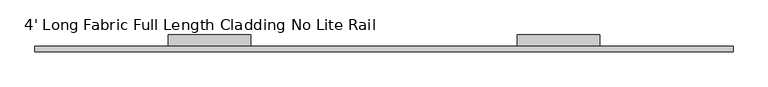
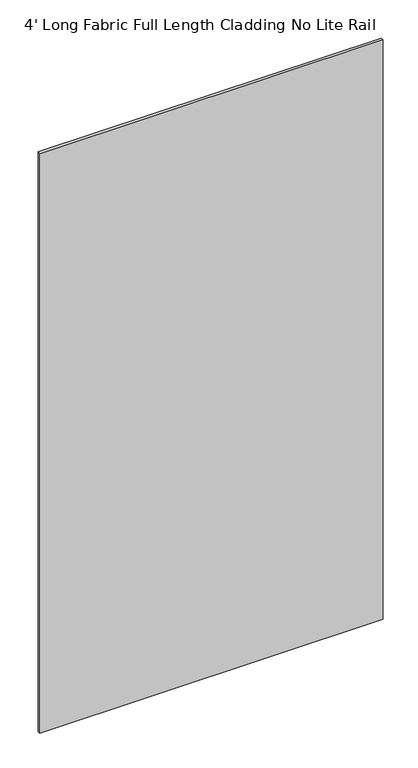
"""IFC4 building model written with IfcOpenShell, lengths in millimetres: furniture geometry, 4' Long Fabric Full Length Cladding No Lite Rail."""

from ifc_helpers import new_model, si_unit, frame, origin, place, context, project, spatial, polyline, outline, extrude, source, transform, mapped, element, save


def furniture_4_long_fabric_full_length_cladding_no_lite_rail_7498cbb0(model_context):
    return source(origin(), model_context, "Body", "SweptSolid", [
        extrude(outline(polyline([(1219.2, -4.7752), (0.0, -4.7752), (0.0, 4.7498), (1219.2, 4.7498), (1219.2, -4.7752)])), frame((0.0, 0.0, 12.7), z_axis=(0.0, 0.0, 1.0), x_axis=(1.0, 0.0, 0.0)), (0.0, 0.0, 1.0), 2173.6010468),
        extrude(outline(polyline([(4.7498, 2114.7370525), (24.8177997, 2114.7370525), (24.8177997, 2113.8250443), (5.6618003, 2113.8250443), (5.6618003, 2081.9430513), (24.8177997, 2081.9430513), (24.8177997, 2077.9139665), (5.6618003, 2077.9139665), (5.6618003, 2012.4120483), (4.7498, 2012.4120483), (4.7498, 2114.7370525)])), frame((842.1878, 0.0, 0.0), z_axis=(1.0, 0.0, 0.0), x_axis=(0.0, 1.0, 0.0)), (0.0, 0.0, 1.0), 144.4244),
        extrude(outline(polyline([(4.7498, 2114.7370525), (24.8177997, 2114.7370525), (24.8177997, 2113.8250443), (5.6618003, 2113.8250443), (5.6618003, 2081.9430513), (24.8177997, 2081.9430513), (24.8177997, 2077.9139665), (5.6618003, 2077.9139665), (5.6618003, 2012.4120483), (4.7498, 2012.4120483), (4.7498, 2114.7370525)])), frame((232.5878, 0.0, 0.0), z_axis=(1.0, 0.0, 0.0), x_axis=(0.0, 1.0, 0.0)), (0.0, 0.0, 1.0), 144.4244),
    ])


if __name__ == "__main__":
    model = new_model("IFC4")
    model_context = context("Model", 3, world=origin())
    ifc_project = project(units=[si_unit("LENGTHUNIT", "METRE", prefix="MILLI")], contexts=[model_context])
    site = spatial("IfcSite", under=ifc_project)
    building = spatial("IfcBuilding", under=site)
    placement = place(None, origin())
    furniture_4_long_fabric_full_length_cladding_no_lite_rail_shape = furniture_4_long_fabric_full_length_cladding_no_lite_rail_7498cbb0(model_context)
    element("IfcFurniture", 1, ObjectType="4' Long Fabric Full Length Cladding No Lite Rail", at=placement, inside=building, context=model_context, shape_type="MappedRepresentation", body=[
        mapped(furniture_4_long_fabric_full_length_cladding_no_lite_rail_shape, transform((0.0, 0.0, 0.0), x_axis=(1.0, 0.0, 0.0), y_axis=(0.0, 1.0, 0.0), z_axis=(0.0, 0.0, 1.0))),
    ])
    save(model, "model.ifc")
